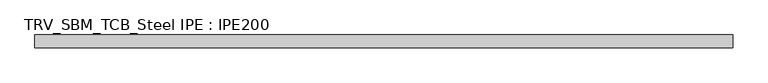
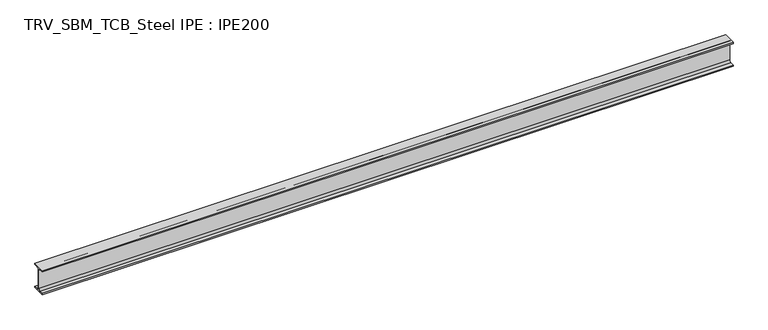
"""IFC4 building model written with IfcOpenShell, lengths in millimetres: beam geometry, TRV_SBM_TCB_Steel IPE : IPE200."""

from ifc_helpers import new_model, si_unit, point, frame, frame_2d, origin, place, context, project, spatial, polyline, circle_curve, trimmed, segment, composite_curve, outline, extrude, source, transform, mapped, element, save


def trv_sbm_tcb_steel_ipe_ipe200_43eedec2(model_context):
    return source(origin(), model_context, "Body", "SweptSolid", [
        extrude(outline(composite_curve([segment(polyline([(50.0, -89.3), (50.0, -100.0), (-50.0, -100.0), (-50.0, -89.3), (-18.55, -89.3)]), True, "CONTINUOUS"), segment(trimmed(circle_curve(frame_2d((-18.55, -74.3)), 15.0), [point((-18.55, -89.3))], [point((-3.55, -74.3))], True, "CARTESIAN"), True, "CONTINUOUS"), segment(polyline([(-3.55, -74.3), (-3.55, 74.3)]), True, "CONTINUOUS"), segment(trimmed(circle_curve(frame_2d((-18.55, 74.3)), 15.0), [point((-3.55, 74.3))], [point((-18.55, 89.3))], True, "CARTESIAN"), True, "CONTINUOUS"), segment(polyline([(-18.55, 89.3), (-50.0, 89.3), (-50.0, 100.0), (50.0, 100.0), (50.0, 89.3), (18.55, 89.3)]), True, "CONTINUOUS"), segment(trimmed(circle_curve(frame_2d((18.55, 74.3)), 15.0), [point((18.55, 89.3))], [point((3.55, 74.3))], True, "CARTESIAN"), True, "CONTINUOUS"), segment(polyline([(3.55, 74.3), (3.55, -74.3)]), True, "CONTINUOUS"), segment(trimmed(circle_curve(frame_2d((18.55, -74.3)), 15.0), [point((3.55, -74.3))], [point((18.55, -89.3))], True, "CARTESIAN"), True, "CONTINUOUS"), segment(polyline([(18.55, -89.3), (50.0, -89.3)]), True, "CONTINUOUS")], self_intersect=False)), frame((-2797.5, 0.0, 0.0), z_axis=(1.0, 0.0, 0.0), x_axis=(0.0, 1.0, 0.0)), (0.0, 0.0, 1.0), 5402.0),
    ])


if __name__ == "__main__":
    model = new_model("IFC4")
    model_context = context("Model", 3, world=origin())
    ifc_project = project(units=[si_unit("LENGTHUNIT", "METRE", prefix="MILLI")], contexts=[model_context])
    site = spatial("IfcSite", under=ifc_project)
    building = spatial("IfcBuilding", under=site)
    placement = place(None, origin())
    trv_sbm_tcb_steel_ipe_ipe200_shape = trv_sbm_tcb_steel_ipe_ipe200_43eedec2(model_context)
    element("IfcBeam", 1, ObjectType="TRV_SBM_TCB_Steel IPE : IPE200", at=placement, inside=building, context=model_context, shape_type="MappedRepresentation", body=[
        mapped(trv_sbm_tcb_steel_ipe_ipe200_shape, transform((0.0, 0.0, 0.0), x_axis=(1.0, 0.0, 0.0), y_axis=(0.0, 1.0, 0.0), z_axis=(0.0, 0.0, 1.0))),
    ])
    save(model, "model.ifc")
